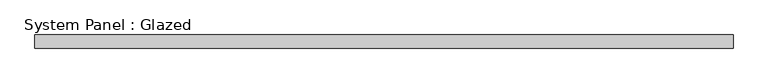
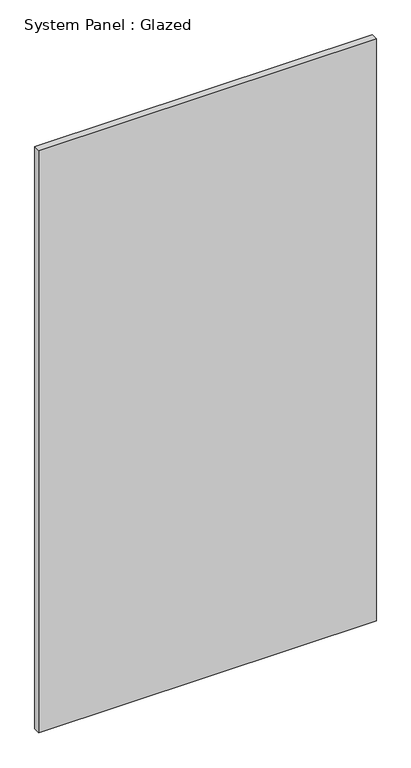
"""IFC4 building model written with IfcOpenShell, lengths in millimetres: plate geometry, System Panel : Glazed."""

import ifcopenshell
import ifcopenshell.guid

model = None  # the IFC model being written
_history = None  # IfcOwnerHistory: only IFC2X3 demands one
_inside = {}  # id of a spatial element -> (the spatial element, [elements in it])
_under = {}  # id of a project, library or spatial element -> (it, [spatial elements below it])
_declared = {}  # id of a project -> (the project, [libraries it declares])
_typed = {}  # id of a type object -> (the type object, [elements of that type])
_made_of = {}  # id of a material, layer set ... -> (it, [elements and type objects made of it])


def new_model(schema):
    """Start an empty IFC model of exactly this schema.

    Asked for "IFC4X3", IfcOpenShell would pick the latest addendum, in which some entities
    have other attributes; the version numbers below select the first issue.
    IFC2X3 requires an IfcOwnerHistory on every rooted entity: one is made here for all.
    """
    global model, _history
    if schema == "IFC4X3":
        model = ifcopenshell.file(schema_version=(4, 3, 0, 0))
    else:
        model = ifcopenshell.file(schema=schema)
    _inside.clear()
    _under.clear()
    _declared.clear()
    _typed.clear()
    _made_of.clear()
    _history = None
    if model.schema == "IFC2X3":
        org = make("IfcOrganization", Name="unknown")
        user = make(
            "IfcPersonAndOrganization",
            ThePerson=make("IfcPerson", FamilyName="unknown"),
            TheOrganization=org,
        )
        app = make(
            "IfcApplication",
            ApplicationDeveloper=org,
            Version="unknown",
            ApplicationFullName="unknown",
            ApplicationIdentifier="unknown",
        )
        _history = make(
            "IfcOwnerHistory",
            OwningUser=user,
            OwningApplication=app,
            ChangeAction="ADDED",
            CreationDate=0,
        )
    return model


def make(cls, **values):
    """One entity of the class cls with the attributes given. An attribute that is None is left unset."""
    return model.create_entity(
        cls, **{name: value for name, value in values.items() if value is not None}
    )


def rooted(cls, **values):
    """An entity with a GlobalId (a new one), such as an element, a storey or a relation."""
    return make(cls, GlobalId=ifcopenshell.guid.new(), OwnerHistory=_history, **values)


def si_unit(unit_type, name, prefix=None):
    """IfcSIUnit, for example si_unit("LENGTHUNIT", "METRE", prefix="MILLI")."""
    return make("IfcSIUnit", UnitType=unit_type, Prefix=prefix, Name=name)


def assignment(units):
    """IfcUnitAssignment: the units of a project."""
    return None if units is None else make("IfcUnitAssignment", Units=units)


def point(xyz):
    """IfcCartesianPoint."""
    return None if xyz is None else make("IfcCartesianPoint", Coordinates=xyz)


def direction(xyz):
    """IfcDirection."""
    return None if xyz is None else make("IfcDirection", DirectionRatios=xyz)


def frame(location, z_axis=None, x_axis=None):
    """IfcAxis2Placement3D, a coordinate frame: its origin and axes. An axis left out is left unset."""
    return make(
        "IfcAxis2Placement3D",
        Location=point(location),
        Axis=direction(z_axis),
        RefDirection=direction(x_axis),
    )


def origin():
    """The frame at (0, 0, 0) with its axes left unset."""
    return frame((0.0, 0.0, 0.0))


def origin_with_axes():
    """The frame at (0, 0, 0) with the z axis (0, 0, 1) and the x axis (1, 0, 0) written out."""
    return frame((0.0, 0.0, 0.0), z_axis=(0.0, 0.0, 1.0), x_axis=(1.0, 0.0, 0.0))


def place(relative_to, where):
    """IfcLocalPlacement: puts the frame where relative to a parent placement (None: the world)."""
    return make(
        "IfcLocalPlacement", PlacementRelTo=relative_to, RelativePlacement=where
    )


def context(
    kind, dimensions, precision=None, world=None, true_north=None, identifier=None
):
    """IfcGeometricRepresentationContext, for example the 3D "Model" context."""
    return make(
        "IfcGeometricRepresentationContext",
        ContextIdentifier=identifier,
        ContextType=kind,
        CoordinateSpaceDimension=dimensions,
        Precision=precision,
        WorldCoordinateSystem=world,
        TrueNorth=true_north,
    )


def project(units=None, contexts=None):
    """IfcProject with its units and contexts."""
    return rooted(
        "IfcProject",
        Name="project",
        RepresentationContexts=contexts,
        UnitsInContext=assignment(units),
    )


def spatial(cls, under=None, at=None, **own):
    """A site, building, storey or space (cls), placed at a placement, below another one or the project."""
    s = rooted(cls, ObjectPlacement=at, **own)
    if under is not None:
        _under.setdefault(under.id(), (under, []))[1].append(s)
    return s


def polyline(points):
    """IfcPolyline through the points."""
    return make("IfcPolyline", Points=[point(p) for p in points])


def outline(outer, holes=None, kind="AREA"):
    """IfcArbitraryClosedProfileDef: a profile drawn as a closed curve; with holes, ...WithVoids."""
    if holes is None:
        return make("IfcArbitraryClosedProfileDef", ProfileType=kind, OuterCurve=outer)
    return make(
        "IfcArbitraryProfileDefWithVoids",
        ProfileType=kind,
        OuterCurve=outer,
        InnerCurves=holes,
    )


def extrude(swept, where, along, depth):
    """IfcExtrudedAreaSolid: the profile swept, set in the frame where, extruded along a direction by depth."""
    return make(
        "IfcExtrudedAreaSolid",
        SweptArea=swept,
        Position=where,
        ExtrudedDirection=direction(along),
        Depth=depth,
    )


def shape(context_of_items, identifier, shape_type, items):
    """IfcShapeRepresentation: the items that make up one representation, for example the "Body"."""
    return make(
        "IfcShapeRepresentation",
        ContextOfItems=context_of_items,
        RepresentationIdentifier=identifier,
        RepresentationType=shape_type,
        Items=items,
    )


def source(mapping_origin, context_of_items, identifier, shape_type, items):
    """IfcRepresentationMap: a shape defined once, which mapped items show again and again."""
    return make(
        "IfcRepresentationMap",
        MappingOrigin=mapping_origin,
        MappedRepresentation=shape(context_of_items, identifier, shape_type, items),
    )


def transform(
    local_origin,
    x_axis=None,
    y_axis=None,
    z_axis=None,
    scale=None,
    scale2=None,
    scale3=None,
    uniform=True,
):
    """IfcCartesianTransformationOperator3D, or its non-uniform kind. x_axis, y_axis, z_axis: its Axis1, 2, 3."""
    if uniform:
        return make(
            "IfcCartesianTransformationOperator3D",
            Axis1=direction(x_axis),
            Axis2=direction(y_axis),
            LocalOrigin=point(local_origin),
            Scale=scale,
            Axis3=direction(z_axis),
        )
    return make(
        "IfcCartesianTransformationOperator3DnonUniform",
        Axis1=direction(x_axis),
        Axis2=direction(y_axis),
        LocalOrigin=point(local_origin),
        Scale=scale,
        Axis3=direction(z_axis),
        Scale2=scale2,
        Scale3=scale3,
    )


def mapped(mapping_source, mapping_target):
    """IfcMappedItem: shows the shape of a source again, moved by a transform."""
    return make(
        "IfcMappedItem", MappingSource=mapping_source, MappingTarget=mapping_target
    )


def made_of(thing, what):
    """Note that an element or type object is made of a material, layer set ...; save() writes the relation."""
    if what is not None:
        _made_of.setdefault(what.id(), (what, []))[1].append(thing)
    return thing


def element(
    cls,
    number,
    at=None,
    inside=None,
    cuts=None,
    type_object=None,
    material=None,
    context=None,
    identifier="Body",
    shape_type=None,
    held_by="IfcProductDefinitionShape",
    body=None,
    shapes=None,
    **own,
):
    """One element of the class cls, such as IfcWall. Its Tag is "e" and its number.

    at: its placement. inside: the storey or other place that contains it. cuts: it is an
    opening in that element (IfcRelVoidsElement). A single representation is given by context,
    identifier, shape_type and body (its items); several are given by shapes. held_by: the class
    of the entity that holds the representations. save() writes the other relations.
    """
    e = rooted(cls, Tag="e%d" % number, ObjectPlacement=at, **own)
    if body is not None:
        shapes = [shape(context, identifier, shape_type, body)]
    if shapes is not None:
        e.Representation = make(held_by, Representations=shapes)
    if inside is not None:
        _inside.setdefault(inside.id(), (inside, []))[1].append(e)
    if cuts is not None:
        rooted(
            "IfcRelVoidsElement", RelatingBuildingElement=cuts, RelatedOpeningElement=e
        )
    if type_object is not None:
        _typed.setdefault(type_object.id(), (type_object, []))[1].append(e)
    return made_of(e, material)


def aggregate(whole, parts):
    """IfcRelAggregates: a whole, such as a stair, and the parts it consists of."""
    return rooted("IfcRelAggregates", RelatingObject=whole, RelatedObjects=parts)


def save(model, path):
    """Write the relations noted so far, then the file.

    IfcRelAggregates (storeys below a building ...), IfcRelContainedInSpatialStructure (elements
    in a storey), IfcRelDefinesByType, IfcRelAssociatesMaterial and IfcRelDeclares: one each for
    every whole, place, type object, material and project.
    """
    for whole, parts in _under.values():
        aggregate(whole, parts)
    for where, things in _inside.values():
        rooted(
            "IfcRelContainedInSpatialStructure",
            RelatedElements=things,
            RelatingStructure=where,
        )
    for kind, things in _typed.values():
        rooted("IfcRelDefinesByType", RelatedObjects=things, RelatingType=kind)
    for what, things in _made_of.values():
        rooted("IfcRelAssociatesMaterial", RelatedObjects=things, RelatingMaterial=what)
    for by, libraries in _declared.values():
        rooted("IfcRelDeclares", RelatingContext=by, RelatedDefinitions=libraries)
    model.write(path)


def system_panel_glazed_1f2d9a25(model_context):
    return source(origin(), model_context, "Body", "SweptSolid", [
        extrude(outline(polyline([(644.5882652, 24.5), (-644.5882652, 24.5), (-644.5882652, 49.5), (644.5882652, 49.5), (644.5882652, 24.5)])), origin_with_axes(), (0.0, 0.0, 1.0), 2350.0),
    ])


if __name__ == "__main__":
    model = new_model("IFC4")
    model_context = context("Model", 3, world=origin())
    ifc_project = project(units=[si_unit("LENGTHUNIT", "METRE", prefix="MILLI")], contexts=[model_context])
    site = spatial("IfcSite", under=ifc_project)
    building = spatial("IfcBuilding", under=site)
    placement = place(None, origin())
    system_panel_glazed_shape = system_panel_glazed_1f2d9a25(model_context)
    element("IfcPlate", 1, ObjectType="System Panel : Glazed", at=placement, inside=building, context=model_context, shape_type="MappedRepresentation", body=[
        mapped(system_panel_glazed_shape, transform((0.0, 0.0, 0.0), x_axis=(1.0, 0.0, 0.0), y_axis=(0.0, 1.0, 0.0), z_axis=(0.0, 0.0, 1.0))),
    ])
    save(model, "model.ifc")
